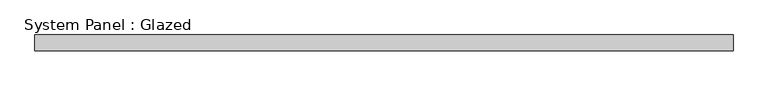
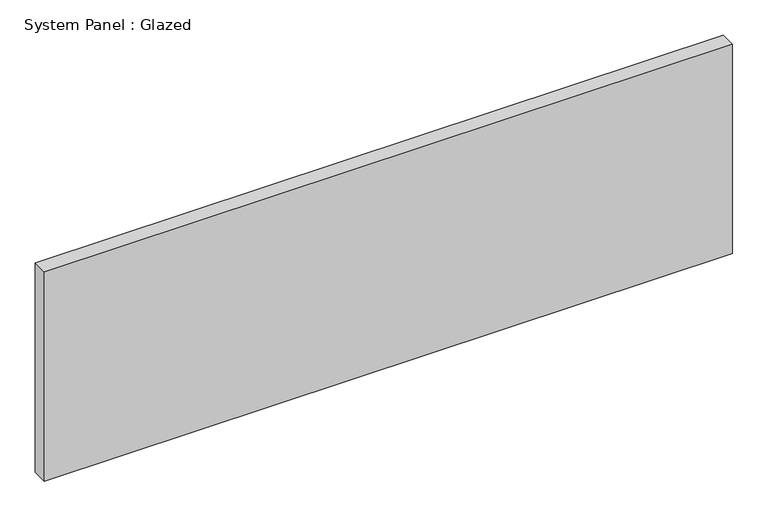
"""IFC4 building model written with IfcOpenShell, lengths in millimetres: plate geometry, System Panel : Glazed."""

from ifc_helpers import new_model, si_unit, origin, origin_with_axes, place, context, project, spatial, polyline, outline, extrude, source, transform, mapped, element, save


def system_panel_glazed_4496bb44(model_context):
    return source(origin(), model_context, "Body", "SweptSolid", [
        extrude(outline(polyline([(561.975, 19.05), (-561.975, 19.05), (-561.975, 44.45), (561.975, 44.45), (561.975, 19.05)])), origin_with_axes(), (0.0, 0.0, 1.0), 361.95),
    ])


if __name__ == "__main__":
    model = new_model("IFC4")
    model_context = context("Model", 3, world=origin())
    ifc_project = project(units=[si_unit("LENGTHUNIT", "METRE", prefix="MILLI")], contexts=[model_context])
    site = spatial("IfcSite", under=ifc_project)
    building = spatial("IfcBuilding", under=site)
    placement = place(None, origin())
    system_panel_glazed_shape = system_panel_glazed_4496bb44(model_context)
    element("IfcPlate", 1, ObjectType="System Panel : Glazed", at=placement, inside=building, context=model_context, shape_type="MappedRepresentation", body=[
        mapped(system_panel_glazed_shape, transform((0.0, 0.0, 0.0), x_axis=(1.0, 0.0, 0.0), y_axis=(0.0, 1.0, 0.0), z_axis=(0.0, 0.0, 1.0))),
    ])
    save(model, "model.ifc")
